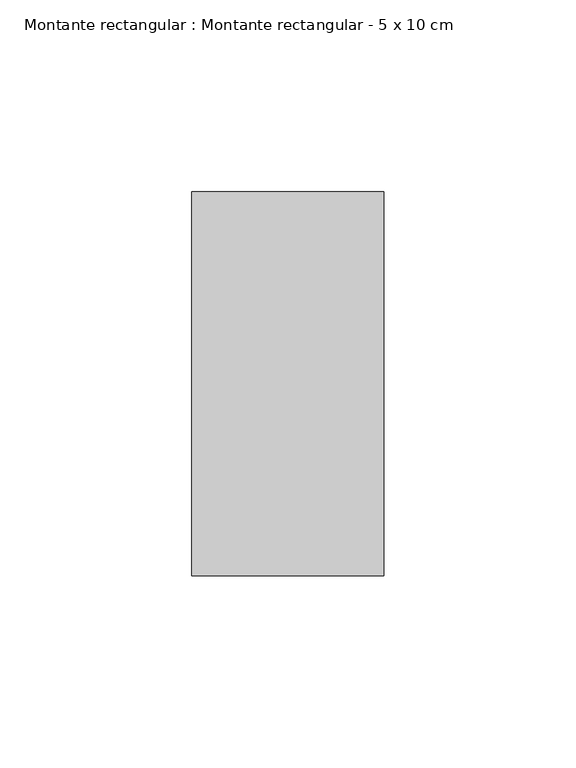
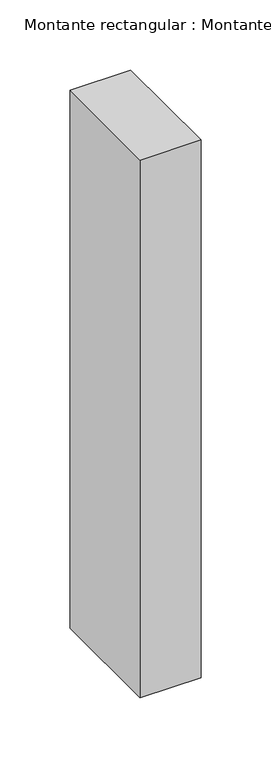
"""IFC4 building model written with IfcOpenShell, lengths in millimetres: member geometry, Montante rectangular : Montante rectangular - 5 x 10 cm."""

from ifc_helpers import new_model, si_unit, frame, origin, place, context, project, spatial, polyline, outline, extrude, source, transform, mapped, element, save


def montante_rectangular_montante_rectangular_5_x_10_cm_b43d89a7(model_context):
    return source(origin(), model_context, "Body", "SweptSolid", [
        extrude(outline(polyline([(25.0, 50.0), (25.0, -50.0), (-25.0, -50.0), (-25.0, 50.0), (25.0, 50.0)])), frame((0.0, 0.0, -467.7452144), z_axis=(0.0, 0.0, 1.0), x_axis=(1.0, 0.0, 0.0)), (0.0, 0.0, 1.0), 467.7452144),
    ])


if __name__ == "__main__":
    model = new_model("IFC4")
    model_context = context("Model", 3, world=origin())
    ifc_project = project(units=[si_unit("LENGTHUNIT", "METRE", prefix="MILLI")], contexts=[model_context])
    site = spatial("IfcSite", under=ifc_project)
    building = spatial("IfcBuilding", under=site)
    placement = place(None, origin())
    montante_rectangular_montante_rectangular_5_x_10_cm_shape = montante_rectangular_montante_rectangular_5_x_10_cm_b43d89a7(model_context)
    element("IfcMember", 1, ObjectType="Montante rectangular : Montante rectangular - 5 x 10 cm", at=placement, inside=building, context=model_context, shape_type="MappedRepresentation", body=[
        mapped(montante_rectangular_montante_rectangular_5_x_10_cm_shape, transform((0.0, 0.0, 0.0), x_axis=(1.0, 0.0, 0.0), y_axis=(0.0, 1.0, 0.0), z_axis=(0.0, 0.0, 1.0))),
    ])
    save(model, "model.ifc")
